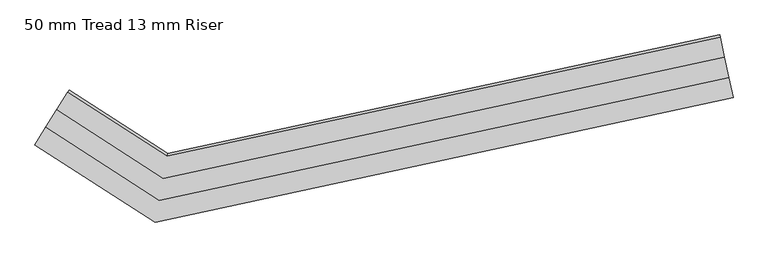
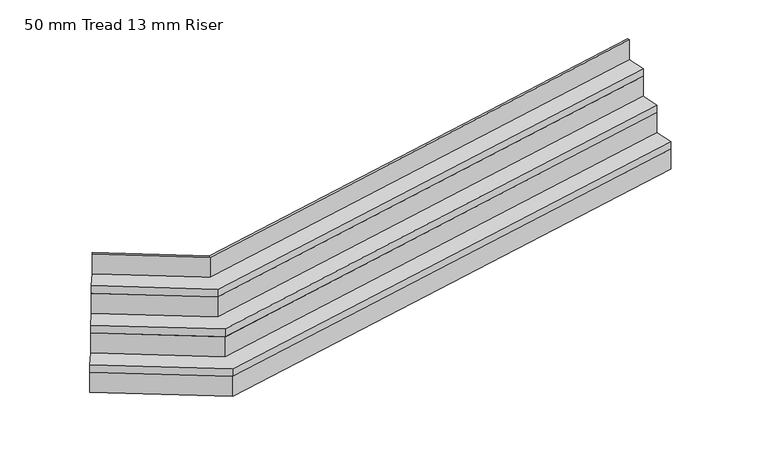
"""IFC4 building model written with IfcOpenShell, lengths in millimetres: stair flight geometry, 50 mm Tread 13 mm Riser."""

import ifcopenshell
import ifcopenshell.guid

model = None  # the IFC model being written
_history = None  # IfcOwnerHistory: only IFC2X3 demands one
_inside = {}  # id of a spatial element -> (the spatial element, [elements in it])
_under = {}  # id of a project, library or spatial element -> (it, [spatial elements below it])
_declared = {}  # id of a project -> (the project, [libraries it declares])
_typed = {}  # id of a type object -> (the type object, [elements of that type])
_made_of = {}  # id of a material, layer set ... -> (it, [elements and type objects made of it])


def new_model(schema):
    """Start an empty IFC model of exactly this schema.

    Asked for "IFC4X3", IfcOpenShell would pick the latest addendum, in which some entities
    have other attributes; the version numbers below select the first issue.
    IFC2X3 requires an IfcOwnerHistory on every rooted entity: one is made here for all.
    """
    global model, _history
    if schema == "IFC4X3":
        model = ifcopenshell.file(schema_version=(4, 3, 0, 0))
    else:
        model = ifcopenshell.file(schema=schema)
    _inside.clear()
    _under.clear()
    _declared.clear()
    _typed.clear()
    _made_of.clear()
    _history = None
    if model.schema == "IFC2X3":
        org = make("IfcOrganization", Name="unknown")
        user = make(
            "IfcPersonAndOrganization",
            ThePerson=make("IfcPerson", FamilyName="unknown"),
            TheOrganization=org,
        )
        app = make(
            "IfcApplication",
            ApplicationDeveloper=org,
            Version="unknown",
            ApplicationFullName="unknown",
            ApplicationIdentifier="unknown",
        )
        _history = make(
            "IfcOwnerHistory",
            OwningUser=user,
            OwningApplication=app,
            ChangeAction="ADDED",
            CreationDate=0,
        )
    return model


def make(cls, **values):
    """One entity of the class cls with the attributes given. An attribute that is None is left unset."""
    return model.create_entity(
        cls, **{name: value for name, value in values.items() if value is not None}
    )


def rooted(cls, **values):
    """An entity with a GlobalId (a new one), such as an element, a storey or a relation."""
    return make(cls, GlobalId=ifcopenshell.guid.new(), OwnerHistory=_history, **values)


def si_unit(unit_type, name, prefix=None):
    """IfcSIUnit, for example si_unit("LENGTHUNIT", "METRE", prefix="MILLI")."""
    return make("IfcSIUnit", UnitType=unit_type, Prefix=prefix, Name=name)


def assignment(units):
    """IfcUnitAssignment: the units of a project."""
    return None if units is None else make("IfcUnitAssignment", Units=units)


def point(xyz):
    """IfcCartesianPoint."""
    return None if xyz is None else make("IfcCartesianPoint", Coordinates=xyz)


def direction(xyz):
    """IfcDirection."""
    return None if xyz is None else make("IfcDirection", DirectionRatios=xyz)


def frame(location, z_axis=None, x_axis=None):
    """IfcAxis2Placement3D, a coordinate frame: its origin and axes. An axis left out is left unset."""
    return make(
        "IfcAxis2Placement3D",
        Location=point(location),
        Axis=direction(z_axis),
        RefDirection=direction(x_axis),
    )


def origin():
    """The frame at (0, 0, 0) with its axes left unset."""
    return frame((0.0, 0.0, 0.0))


def place(relative_to, where):
    """IfcLocalPlacement: puts the frame where relative to a parent placement (None: the world)."""
    return make(
        "IfcLocalPlacement", PlacementRelTo=relative_to, RelativePlacement=where
    )


def context(
    kind, dimensions, precision=None, world=None, true_north=None, identifier=None
):
    """IfcGeometricRepresentationContext, for example the 3D "Model" context."""
    return make(
        "IfcGeometricRepresentationContext",
        ContextIdentifier=identifier,
        ContextType=kind,
        CoordinateSpaceDimension=dimensions,
        Precision=precision,
        WorldCoordinateSystem=world,
        TrueNorth=true_north,
    )


def project(units=None, contexts=None):
    """IfcProject with its units and contexts."""
    return rooted(
        "IfcProject",
        Name="project",
        RepresentationContexts=contexts,
        UnitsInContext=assignment(units),
    )


def spatial(cls, under=None, at=None, **own):
    """A site, building, storey or space (cls), placed at a placement, below another one or the project."""
    s = rooted(cls, ObjectPlacement=at, **own)
    if under is not None:
        _under.setdefault(under.id(), (under, []))[1].append(s)
    return s


def faces_of(points, faces, orient=None, outer=None):
    """IfcFace entities. A face is a list of loops; a loop is a list of indices into points, from 0.

    orient and outer hold one flag for each loop. By default every Orientation is true, the
    first loop of a face is its IfcFaceOuterBound and the others are IfcFaceBound.
    """
    made = []
    for i, loops in enumerate(faces):
        bounds = []
        for j, loop in enumerate(loops):
            is_outer = j == 0 if outer is None else outer[i][j]
            bounds.append(
                make(
                    "IfcFaceOuterBound" if is_outer else "IfcFaceBound",
                    Bound=make("IfcPolyLoop", Polygon=[points[k] for k in loop]),
                    Orientation=True if orient is None else orient[i][j],
                )
            )
        made.append(make("IfcFace", Bounds=bounds))
    return made


def faceted_brep(points, faces, orient=None, outer=None, voids=None):
    """IfcFacetedBrep: a solid bounded by flat faces; with voids (closed shells), ...WithVoids."""
    shared = [point(p) for p in points]
    hull = make("IfcClosedShell", CfsFaces=faces_of(shared, faces, orient, outer))
    if voids is None:
        return make("IfcFacetedBrep", Outer=hull)
    return make(
        "IfcFacetedBrepWithVoids",
        Outer=hull,
        Voids=[
            make(cls, CfsFaces=faces_of(shared, fs, o, b)) for cls, fs, o, b in voids
        ],
    )


def shape(context_of_items, identifier, shape_type, items):
    """IfcShapeRepresentation: the items that make up one representation, for example the "Body"."""
    return make(
        "IfcShapeRepresentation",
        ContextOfItems=context_of_items,
        RepresentationIdentifier=identifier,
        RepresentationType=shape_type,
        Items=items,
    )


def source(mapping_origin, context_of_items, identifier, shape_type, items):
    """IfcRepresentationMap: a shape defined once, which mapped items show again and again."""
    return make(
        "IfcRepresentationMap",
        MappingOrigin=mapping_origin,
        MappedRepresentation=shape(context_of_items, identifier, shape_type, items),
    )


def transform(
    local_origin,
    x_axis=None,
    y_axis=None,
    z_axis=None,
    scale=None,
    scale2=None,
    scale3=None,
    uniform=True,
):
    """IfcCartesianTransformationOperator3D, or its non-uniform kind. x_axis, y_axis, z_axis: its Axis1, 2, 3."""
    if uniform:
        return make(
            "IfcCartesianTransformationOperator3D",
            Axis1=direction(x_axis),
            Axis2=direction(y_axis),
            LocalOrigin=point(local_origin),
            Scale=scale,
            Axis3=direction(z_axis),
        )
    return make(
        "IfcCartesianTransformationOperator3DnonUniform",
        Axis1=direction(x_axis),
        Axis2=direction(y_axis),
        LocalOrigin=point(local_origin),
        Scale=scale,
        Axis3=direction(z_axis),
        Scale2=scale2,
        Scale3=scale3,
    )


def mapped(mapping_source, mapping_target):
    """IfcMappedItem: shows the shape of a source again, moved by a transform."""
    return make(
        "IfcMappedItem", MappingSource=mapping_source, MappingTarget=mapping_target
    )


def made_of(thing, what):
    """Note that an element or type object is made of a material, layer set ...; save() writes the relation."""
    if what is not None:
        _made_of.setdefault(what.id(), (what, []))[1].append(thing)
    return thing


def element(
    cls,
    number,
    at=None,
    inside=None,
    cuts=None,
    type_object=None,
    material=None,
    context=None,
    identifier="Body",
    shape_type=None,
    held_by="IfcProductDefinitionShape",
    body=None,
    shapes=None,
    **own,
):
    """One element of the class cls, such as IfcWall. Its Tag is "e" and its number.

    at: its placement. inside: the storey or other place that contains it. cuts: it is an
    opening in that element (IfcRelVoidsElement). A single representation is given by context,
    identifier, shape_type and body (its items); several are given by shapes. held_by: the class
    of the entity that holds the representations. save() writes the other relations.
    """
    e = rooted(cls, Tag="e%d" % number, ObjectPlacement=at, **own)
    if body is not None:
        shapes = [shape(context, identifier, shape_type, body)]
    if shapes is not None:
        e.Representation = make(held_by, Representations=shapes)
    if inside is not None:
        _inside.setdefault(inside.id(), (inside, []))[1].append(e)
    if cuts is not None:
        rooted(
            "IfcRelVoidsElement", RelatingBuildingElement=cuts, RelatedOpeningElement=e
        )
    if type_object is not None:
        _typed.setdefault(type_object.id(), (type_object, []))[1].append(e)
    return made_of(e, material)


def aggregate(whole, parts):
    """IfcRelAggregates: a whole, such as a stair, and the parts it consists of."""
    return rooted("IfcRelAggregates", RelatingObject=whole, RelatedObjects=parts)


def save(model, path):
    """Write the relations noted so far, then the file.

    IfcRelAggregates (storeys below a building ...), IfcRelContainedInSpatialStructure (elements
    in a storey), IfcRelDefinesByType, IfcRelAssociatesMaterial and IfcRelDeclares: one each for
    every whole, place, type object, material and project.
    """
    for whole, parts in _under.values():
        aggregate(whole, parts)
    for where, things in _inside.values():
        rooted(
            "IfcRelContainedInSpatialStructure",
            RelatedElements=things,
            RelatingStructure=where,
        )
    for kind, things in _typed.values():
        rooted("IfcRelDefinesByType", RelatedObjects=things, RelatingType=kind)
    for what, things in _made_of.values():
        rooted("IfcRelAssociatesMaterial", RelatedObjects=things, RelatingMaterial=what)
    for by, libraries in _declared.values():
        rooted("IfcRelDeclares", RelatingContext=by, RelatedDefinitions=libraries)
    model.write(path)


def stair_flight_50_mm_tread_13_mm_riser_dfe330c1(model_context):
    return source(origin(), model_context, "Body", "Brep", [
        faceted_brep([(-11397.9612873, -114056.6751112, 127.7777778), (-11397.9612873, -114056.6751112, 0.0), (-11400.5968462, -114044.4561165, 0.0), (-11400.5968462, -114044.4561165, 127.7777778), (-14433.9013424, -114711.5079399, 127.7777778), (-14433.9013424, -114711.5079399, 0.0), (-14431.475628, -114698.1972611, 0.0), (-14431.475628, -114698.1972611, 127.7777778), (-15065.1464275, -114304.2593009, 127.7777778), (-15058.5217448, -114293.6575923, 127.7777778), (-15058.5217448, -114293.6575923, 0.0), (-15065.1464275, -114304.2593009, 0.0)], [[[0, 1, 2, 3]], [[1, 0, 4, 5]], [[2, 1, 5, 6]], [[3, 2, 6, 7]], [[0, 3, 7, 4]], [[8, 9, 10, 11]], [[5, 4, 8, 11]], [[6, 5, 11, 10]], [[7, 6, 10, 9]], [[4, 7, 9, 8]]]),
        faceted_brep([(-15007.6051905, -114212.1740725, 177.7777778), (-15065.1464275, -114304.2593009, 177.7777778), (-14433.9013424, -114711.5079399, 177.7777778), (-11397.9612873, -114056.6751112, 177.7777778), (-11420.8534504, -113950.5423213, 177.7777778), (-14412.8318646, -114595.8929057, 177.7777778), (-15007.6051905, -114212.1740725, 127.7777778), (-14412.8318646, -114595.8929057, 127.7777778), (-11420.8534504, -113950.5423213, 127.7777778), (-11397.9612873, -114056.6751112, 127.7777778), (-14433.9013424, -114711.5079399, 127.7777778), (-15065.1464275, -114304.2593009, 127.7777778)], [[[0, 1, 2, 3, 4, 5]], [[6, 7, 8, 9, 10, 11]], [[1, 0, 6, 11]], [[2, 1, 11, 10]], [[3, 2, 10, 9]], [[4, 3, 9, 8]], [[5, 4, 8, 7]], [[0, 5, 7, 6]]]),
        faceted_brep([(-11420.8534504, -113950.5423213, 305.5555556), (-11420.8534504, -113950.5423213, 127.7777778), (-11423.4890093, -113938.3233267, 127.7777778), (-11423.4890093, -113938.3233267, 305.5555556), (-14412.8318646, -114595.8929057, 305.5555556), (-14412.8318646, -114595.8929057, 127.7777778), (-14410.4061502, -114582.5822268, 127.7777778), (-14410.4061502, -114582.5822268, 305.5555556), (-15007.6051905, -114212.1740725, 305.5555556), (-15000.9805078, -114201.5723639, 305.5555556), (-15000.9805078, -114201.5723639, 127.7777778), (-15007.6051905, -114212.1740725, 127.7777778)], [[[0, 1, 2, 3]], [[1, 0, 4, 5]], [[2, 1, 5, 6]], [[3, 2, 6, 7]], [[0, 3, 7, 4]], [[8, 9, 10, 11]], [[5, 4, 8, 11]], [[6, 5, 11, 10]], [[7, 6, 10, 9]], [[4, 7, 9, 8]]]),
        faceted_brep([(-14950.0639535, -114120.0888441, 355.5555556), (-15007.6051905, -114212.1740725, 355.5555556), (-14412.8318646, -114595.8929057, 355.5555556), (-11420.8534504, -113950.5423213, 355.5555556), (-11443.7456136, -113844.4095315, 355.5555556), (-14391.7623868, -114480.2778714, 355.5555556), (-14950.0639535, -114120.0888441, 305.5555556), (-14391.7623868, -114480.2778714, 305.5555556), (-11443.7456136, -113844.4095315, 305.5555556), (-11420.8534504, -113950.5423213, 305.5555556), (-14412.8318646, -114595.8929057, 305.5555556), (-15007.6051905, -114212.1740725, 305.5555556)], [[[0, 1, 2, 3, 4, 5]], [[6, 7, 8, 9, 10, 11]], [[1, 0, 6, 11]], [[2, 1, 11, 10]], [[3, 2, 10, 9]], [[4, 3, 9, 8]], [[5, 4, 8, 7]], [[0, 5, 7, 6]]]),
        faceted_brep([(-11443.7456136, -113844.4095315, 483.3333333), (-11443.7456136, -113844.4095315, 305.5555556), (-11446.3811725, -113832.1905369, 305.5555556), (-11446.3811725, -113832.1905369, 483.3333333), (-14391.7623868, -114480.2778714, 483.3333333), (-14391.7623868, -114480.2778714, 305.5555556), (-14389.3366724, -114466.9671925, 305.5555556), (-14389.3366724, -114466.9671925, 483.3333333), (-14950.0639535, -114120.0888441, 483.3333333), (-14943.4392708, -114109.4871355, 483.3333333), (-14943.4392708, -114109.4871355, 305.5555556), (-14950.0639535, -114120.0888441, 305.5555556)], [[[0, 1, 2, 3]], [[1, 0, 4, 5]], [[2, 1, 5, 6]], [[3, 2, 6, 7]], [[0, 3, 7, 4]], [[8, 9, 10, 11]], [[5, 4, 8, 11]], [[6, 5, 11, 10]], [[7, 6, 10, 9]], [[4, 7, 9, 8]]]),
        faceted_brep([(-11466.6377767, -113738.2767417, 661.1111111), (-11466.6377767, -113738.2767417, 483.3333333), (-11469.2733356, -113726.0577471, 483.3333333), (-11469.2733356, -113726.0577471, 661.1111111), (-14370.6929089, -114364.6628371, 661.1111111), (-14370.6929089, -114364.6628371, 483.3333333), (-14368.2671945, -114351.3521583, 483.3333333), (-14368.2671945, -114351.3521583, 661.1111111), (-14892.5227165, -114028.0036156, 661.1111111), (-14885.8980337, -114017.401907, 661.1111111), (-14885.8980337, -114017.401907, 483.3333333), (-14892.5227165, -114028.0036156, 483.3333333)], [[[0, 1, 2, 3]], [[1, 0, 4, 5]], [[2, 1, 5, 6]], [[3, 2, 6, 7]], [[0, 3, 7, 4]], [[8, 9, 10, 11]], [[5, 4, 8, 11]], [[6, 5, 11, 10]], [[7, 6, 10, 9]], [[4, 7, 9, 8]]]),
        faceted_brep([(-14892.5227165, -114028.0036156, 533.3333333), (-14950.0639535, -114120.0888441, 533.3333333), (-14391.7623868, -114480.2778714, 533.3333333), (-11443.7456136, -113844.4095315, 533.3333333), (-11466.6377767, -113738.2767417, 533.3333333), (-14370.6929089, -114364.6628371, 533.3333333), (-14892.5227165, -114028.0036156, 483.3333333), (-14370.6929089, -114364.6628371, 483.3333333), (-11466.6377767, -113738.2767417, 483.3333333), (-11443.7456136, -113844.4095315, 483.3333333), (-14391.7623868, -114480.2778714, 483.3333333), (-14950.0639535, -114120.0888441, 483.3333333)], [[[0, 1, 2, 3, 4, 5]], [[6, 7, 8, 9, 10, 11]], [[1, 0, 6, 11]], [[2, 1, 11, 10]], [[3, 2, 10, 9]], [[4, 3, 9, 8]], [[5, 4, 8, 7]], [[0, 5, 7, 6]]]),
    ])


if __name__ == "__main__":
    model = new_model("IFC4")
    model_context = context("Model", 3, world=origin())
    ifc_project = project(units=[si_unit("LENGTHUNIT", "METRE", prefix="MILLI")], contexts=[model_context])
    site = spatial("IfcSite", under=ifc_project)
    building = spatial("IfcBuilding", under=site)
    placement = place(None, origin())
    stair_flight_50_mm_tread_13_mm_riser_shape = stair_flight_50_mm_tread_13_mm_riser_dfe330c1(model_context)
    element("IfcStairFlight", 1, ObjectType="50 mm Tread 13 mm Riser", at=placement, inside=building, context=model_context, shape_type="MappedRepresentation", body=[
        mapped(stair_flight_50_mm_tread_13_mm_riser_shape, transform((0.0, 0.0, 0.0), x_axis=(1.0, 0.0, 0.0), y_axis=(0.0, 1.0, 0.0), z_axis=(0.0, 0.0, 1.0))),
    ])
    save(model, "model.ifc")
